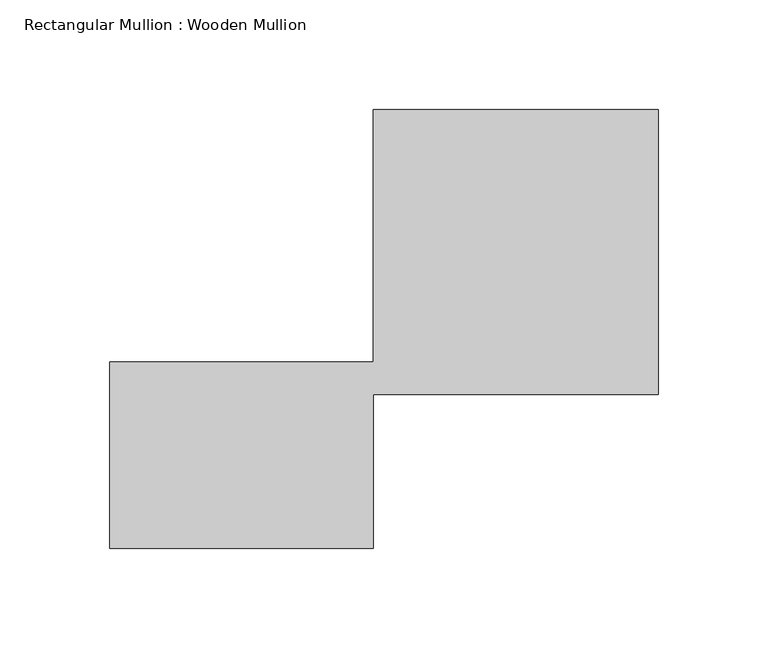
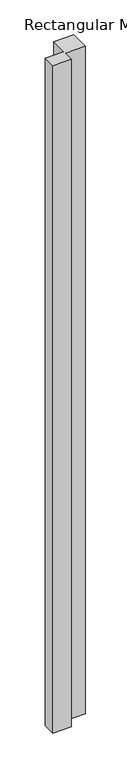
"""IFC4 building model written with IfcOpenShell, lengths in millimetres: member geometry, Rectangular Mullion : Wooden Mullion."""

from ifc_helpers import new_model, si_unit, frame, origin, place, context, project, spatial, polyline, outline, extrude, source, transform, mapped, element, save


def rectangular_mullion_wooden_mullion_a64a9859(model_context):
    return source(origin(), model_context, "Body", "SweptSolid", [
        extrude(outline(polyline([(74.8100006, -26.0137344), (-45.1899994, -26.0137344), (-45.1899994, 58.9862656), (74.8100006, 58.9862656), (74.8100006, 173.9862656), (204.8100006, 173.9862656), (204.8100006, 43.9862656), (74.8100006, 43.9862656), (74.8100006, -26.0137344)])), frame((0.0, 0.0, -4541.8792587), z_axis=(0.0, 0.0, 1.0), x_axis=(1.0, 0.0, 0.0)), (0.0, 0.0, 1.0), 4541.8792587),
    ])


if __name__ == "__main__":
    model = new_model("IFC4")
    model_context = context("Model", 3, world=origin())
    ifc_project = project(units=[si_unit("LENGTHUNIT", "METRE", prefix="MILLI")], contexts=[model_context])
    site = spatial("IfcSite", under=ifc_project)
    building = spatial("IfcBuilding", under=site)
    placement = place(None, origin())
    rectangular_mullion_wooden_mullion_shape = rectangular_mullion_wooden_mullion_a64a9859(model_context)
    element("IfcMember", 1, ObjectType="Rectangular Mullion : Wooden Mullion", at=placement, inside=building, context=model_context, shape_type="MappedRepresentation", body=[
        mapped(rectangular_mullion_wooden_mullion_shape, transform((0.0, 0.0, 0.0), x_axis=(1.0, 0.0, 0.0), y_axis=(0.0, 1.0, 0.0), z_axis=(0.0, 0.0, 1.0))),
    ])
    save(model, "model.ifc")
